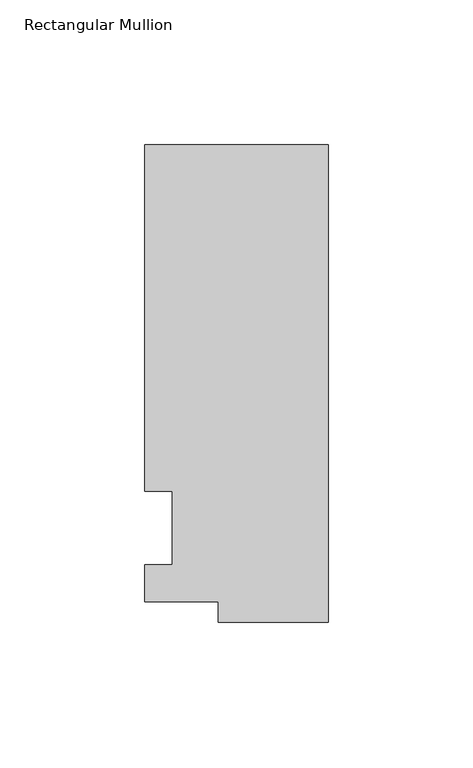
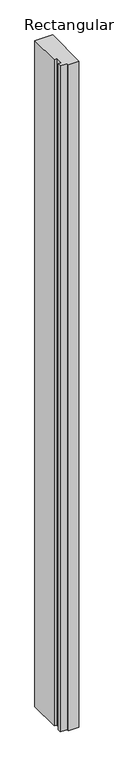
"""IFC4 building model written with IfcOpenShell, lengths in millimetres: member geometry, Rectangular Mullion."""

from ifc_helpers import new_model, si_unit, frame, origin, place, context, project, spatial, polyline, outline, extrude, source, transform, mapped, element, save


def rectangular_mullion_025b2bcf(model_context):
    return source(origin(), model_context, "Body", "SweptSolid", [
        extrude(outline(polyline([(-38.1, -32.54375), (-38.1, -25.58415), (-63.5, -25.58415), (-63.5, -12.7), (-53.975, -12.7), (-53.975, 12.7), (-63.5, 12.7), (-63.5, 132.55625), (0.0, 132.55625), (0.0, -32.54375), (-38.1, -32.54375)])), frame((0.0, 0.0, -2540.0), z_axis=(0.0, 0.0, 1.0), x_axis=(1.0, 0.0, 0.0)), (0.0, 0.0, 1.0), 2540.0),
    ])


if __name__ == "__main__":
    model = new_model("IFC4")
    model_context = context("Model", 3, world=origin())
    ifc_project = project(units=[si_unit("LENGTHUNIT", "METRE", prefix="MILLI")], contexts=[model_context])
    site = spatial("IfcSite", under=ifc_project)
    building = spatial("IfcBuilding", under=site)
    placement = place(None, origin())
    rectangular_mullion_shape = rectangular_mullion_025b2bcf(model_context)
    element("IfcMember", 1, ObjectType="Rectangular Mullion", at=placement, inside=building, context=model_context, shape_type="MappedRepresentation", body=[
        mapped(rectangular_mullion_shape, transform((0.0, 0.0, 0.0), x_axis=(1.0, 0.0, 0.0), y_axis=(0.0, 1.0, 0.0), z_axis=(0.0, 0.0, 1.0))),
    ])
    save(model, "model.ifc")
